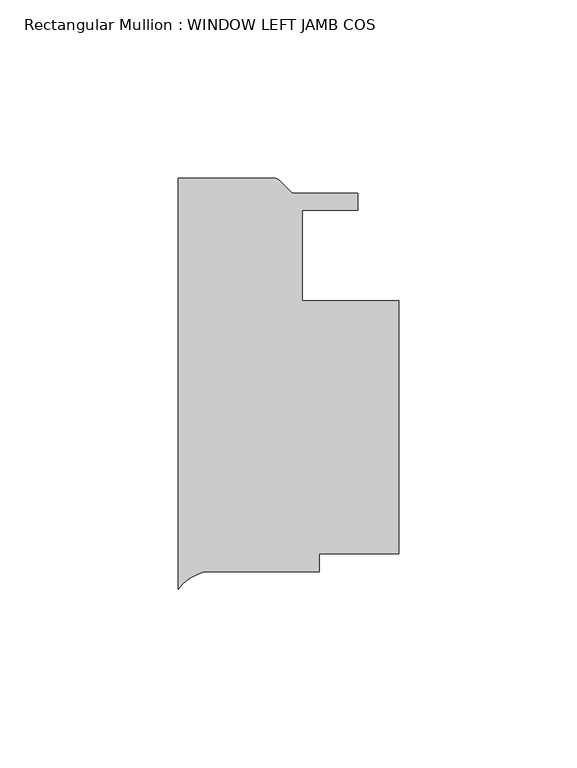
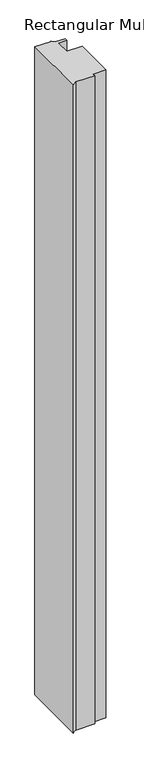
"""IFC4 building model written with IfcOpenShell, lengths in millimetres: member geometry, Rectangular Mullion : WINDOW LEFT JAMB COS."""

from ifc_helpers import new_model, si_unit, point, frame, frame_2d, origin, place, context, project, spatial, polyline, circle_curve, trimmed, segment, composite_curve, outline, extrude, source, transform, mapped, element, save


def rectangular_mullion_window_left_jamb_cos_0f309125(model_context):
    return source(origin(), model_context, "Body", "SweptSolid", [
        extrude(outline(composite_curve([segment(polyline([(0.0, -106.4385648), (0.0, 8.9662), (27.03997, 8.9662)]), True, "CONTINUOUS"), segment(trimmed(circle_curve(frame_2d((27.03997, 7.1882)), 1.778), [point((27.03997, 8.9662))], [point((28.2972059, 8.4454359))], False, "CARTESIAN"), True, "CONTINUOUS"), segment(polyline([(28.2972059, 8.4454359), (31.5228776, 5.2197641)]), True, "CONTINUOUS"), segment(trimmed(circle_curve(frame_2d((32.7801135, 6.477)), 1.778), [point((31.5228776, 5.2197641))], [point((32.7801135, 4.699))], True, "CARTESIAN"), True, "CONTINUOUS"), segment(polyline([(32.7801135, 4.699), (50.4261495, 4.699), (50.4261495, -1e-07), (34.925, -1e-07), (34.925, -25.4), (61.9125, -25.4), (61.9125, -96.52), (39.6875, -96.52), (39.6875, -101.6), (7.2925126, -101.6)]), True, "CONTINUOUS"), segment(trimmed(circle_curve(frame_2d((10.8196816, -114.8308137)), 13.6928942), [point((7.2925126, -101.6))], [point((0.0, -106.4385648))], True, "CARTESIAN"), True, "CONTINUOUS")], self_intersect=False)), frame((0.0, 0.0, -1187.4560108), z_axis=(0.0, 0.0, 1.0), x_axis=(1.0, 0.0, 0.0)), (0.0, 0.0, 1.0), 1187.4560108),
    ])


if __name__ == "__main__":
    model = new_model("IFC4")
    model_context = context("Model", 3, world=origin())
    ifc_project = project(units=[si_unit("LENGTHUNIT", "METRE", prefix="MILLI")], contexts=[model_context])
    site = spatial("IfcSite", under=ifc_project)
    building = spatial("IfcBuilding", under=site)
    placement = place(None, origin())
    rectangular_mullion_window_left_jamb_cos_shape = rectangular_mullion_window_left_jamb_cos_0f309125(model_context)
    element("IfcMember", 1, ObjectType="Rectangular Mullion : WINDOW LEFT JAMB COS", at=placement, inside=building, context=model_context, shape_type="MappedRepresentation", body=[
        mapped(rectangular_mullion_window_left_jamb_cos_shape, transform((0.0, 0.0, 0.0), x_axis=(1.0, 0.0, 0.0), y_axis=(0.0, 1.0, 0.0), z_axis=(0.0, 0.0, 1.0))),
    ])
    save(model, "model.ifc")
